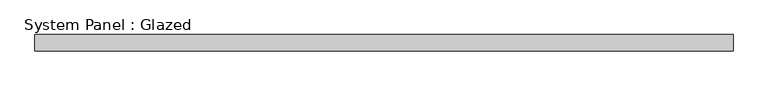
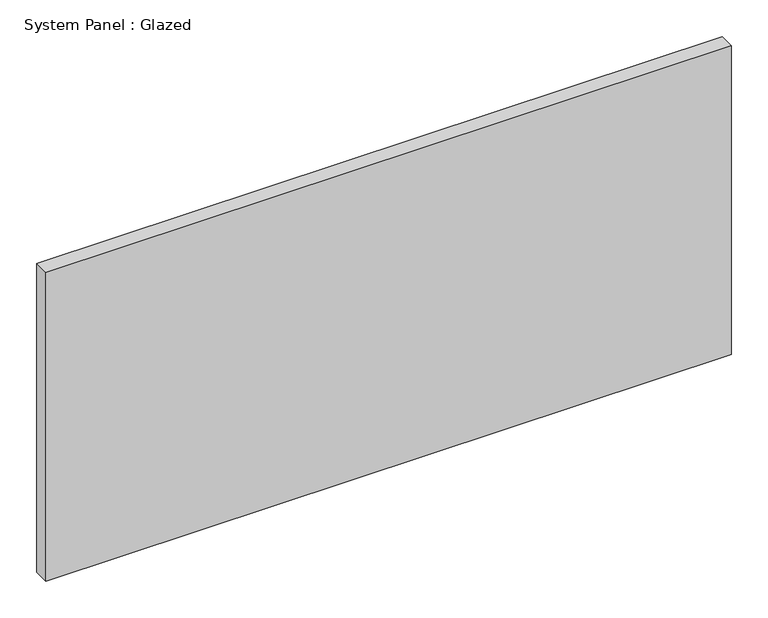
"""IFC4 building model written with IfcOpenShell, lengths in millimetres: plate geometry, System Panel : Glazed."""

from ifc_helpers import new_model, si_unit, origin, origin_with_axes, place, context, project, spatial, polyline, outline, extrude, source, transform, mapped, element, save


def system_panel_glazed_ad457a55(model_context):
    return source(origin(), model_context, "Body", "SweptSolid", [
        extrude(outline(polyline([(539.75, -44.45), (-539.75, -44.45), (-539.75, -19.05), (539.75, -19.05), (539.75, -44.45)])), origin_with_axes(), (0.0, 0.0, 1.0), 514.35),
    ])


if __name__ == "__main__":
    model = new_model("IFC4")
    model_context = context("Model", 3, world=origin())
    ifc_project = project(units=[si_unit("LENGTHUNIT", "METRE", prefix="MILLI")], contexts=[model_context])
    site = spatial("IfcSite", under=ifc_project)
    building = spatial("IfcBuilding", under=site)
    placement = place(None, origin())
    system_panel_glazed_shape = system_panel_glazed_ad457a55(model_context)
    element("IfcPlate", 1, ObjectType="System Panel : Glazed", at=placement, inside=building, context=model_context, shape_type="MappedRepresentation", body=[
        mapped(system_panel_glazed_shape, transform((0.0, 0.0, 0.0), x_axis=(1.0, 0.0, 0.0), y_axis=(0.0, 1.0, 0.0), z_axis=(0.0, 0.0, 1.0))),
    ])
    save(model, "model.ifc")
